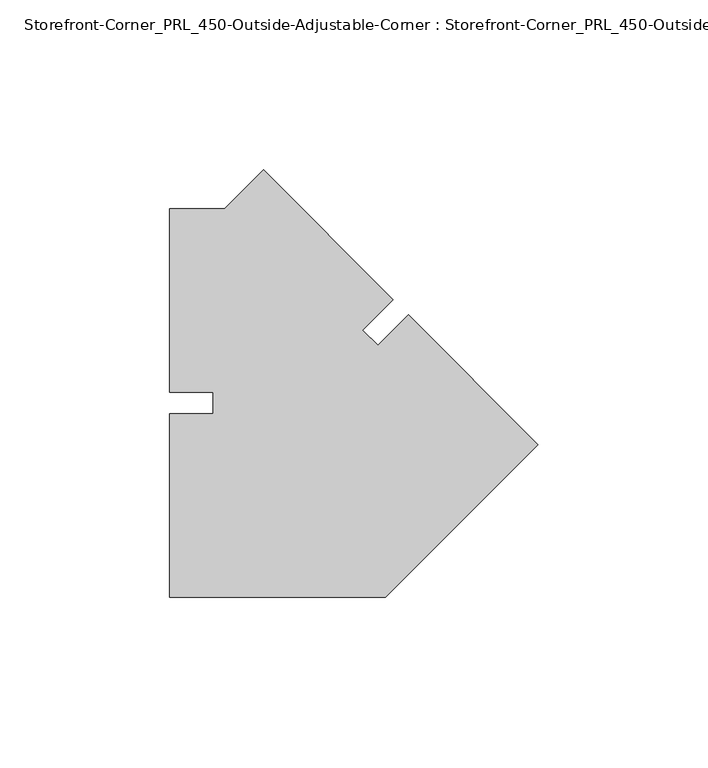
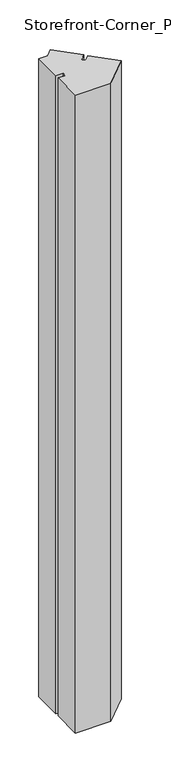
"""IFC4 building model written with IfcOpenShell, lengths in millimetres: proxy geometry, Storefront-Corner_PRL_450-Outside-Adjustable-Corner : Storefront-Corner_PRL_450-Outside-Adjustable-Corner."""

from ifc_helpers import new_model, si_unit, origin, origin_with_axes, place, context, project, spatial, polyline, outline, extrude, source, transform, mapped, element, save


def storefront_corner_prl_450_outside_adjustable_corner_e46c1ab0(model_context):
    return source(origin(), model_context, "Body", "SweptSolid", [
        extrude(outline(polyline([(0.0, 0.0), (-63.5, 0.0), (-63.5, 53.975), (-50.8, 53.975), (-50.8, 60.325), (-63.5, 60.325), (-63.5, 114.3), (-47.3446102, 114.3), (-35.9210245, 125.7235857), (2.245064, 87.5574972), (-6.7351921, 78.5772411), (-2.245064, 74.087113), (6.7351921, 83.0673691), (44.9012806, 44.9012806), (0.0, 0.0)])), origin_with_axes(), (0.0, 0.0, 1.0), 1209.9476578),
    ])


if __name__ == "__main__":
    model = new_model("IFC4")
    model_context = context("Model", 3, world=origin())
    ifc_project = project(units=[si_unit("LENGTHUNIT", "METRE", prefix="MILLI")], contexts=[model_context])
    site = spatial("IfcSite", under=ifc_project)
    building = spatial("IfcBuilding", under=site)
    placement = place(None, origin())
    storefront_corner_prl_450_outside_adjustable_corner_shape = storefront_corner_prl_450_outside_adjustable_corner_e46c1ab0(model_context)
    element("IfcBuildingElementProxy", 1, Name="Storefront-Corner_PRL_450-Outside-Adjustable-Corner : Storefront-Corner_PRL_450-Outside-Adjustable-Corner", ObjectType="Storefront-Corner_PRL_450-Outside-Adjustable-Corner : Storefront-Corner_PRL_450-Outside-Adjustable-Corner", at=placement, inside=building, context=model_context, shape_type="MappedRepresentation", body=[
        mapped(storefront_corner_prl_450_outside_adjustable_corner_shape, transform((0.0, 0.0, 0.0), x_axis=(1.0, 0.0, 0.0), y_axis=(0.0, 1.0, 0.0), z_axis=(0.0, 0.0, 1.0))),
    ])
    save(model, "model.ifc")
